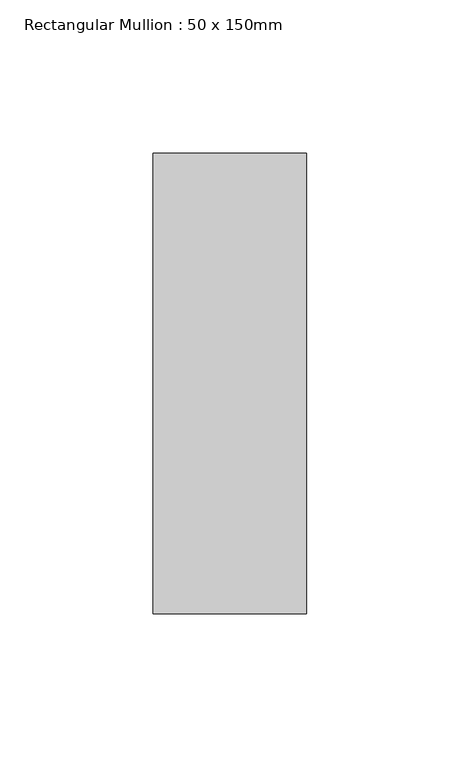
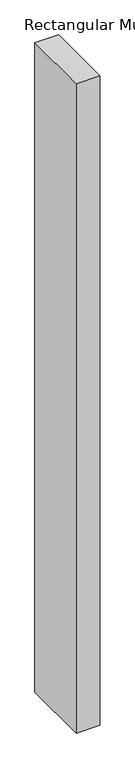
"""IFC4 building model written with IfcOpenShell, lengths in millimetres: member geometry, Rectangular Mullion : 50 x 150mm."""

import ifcopenshell
import ifcopenshell.guid

model = None  # the IFC model being written
_history = None  # IfcOwnerHistory: only IFC2X3 demands one
_inside = {}  # id of a spatial element -> (the spatial element, [elements in it])
_under = {}  # id of a project, library or spatial element -> (it, [spatial elements below it])
_declared = {}  # id of a project -> (the project, [libraries it declares])
_typed = {}  # id of a type object -> (the type object, [elements of that type])
_made_of = {}  # id of a material, layer set ... -> (it, [elements and type objects made of it])


def new_model(schema):
    """Start an empty IFC model of exactly this schema.

    Asked for "IFC4X3", IfcOpenShell would pick the latest addendum, in which some entities
    have other attributes; the version numbers below select the first issue.
    IFC2X3 requires an IfcOwnerHistory on every rooted entity: one is made here for all.
    """
    global model, _history
    if schema == "IFC4X3":
        model = ifcopenshell.file(schema_version=(4, 3, 0, 0))
    else:
        model = ifcopenshell.file(schema=schema)
    _inside.clear()
    _under.clear()
    _declared.clear()
    _typed.clear()
    _made_of.clear()
    _history = None
    if model.schema == "IFC2X3":
        org = make("IfcOrganization", Name="unknown")
        user = make(
            "IfcPersonAndOrganization",
            ThePerson=make("IfcPerson", FamilyName="unknown"),
            TheOrganization=org,
        )
        app = make(
            "IfcApplication",
            ApplicationDeveloper=org,
            Version="unknown",
            ApplicationFullName="unknown",
            ApplicationIdentifier="unknown",
        )
        _history = make(
            "IfcOwnerHistory",
            OwningUser=user,
            OwningApplication=app,
            ChangeAction="ADDED",
            CreationDate=0,
        )
    return model


def make(cls, **values):
    """One entity of the class cls with the attributes given. An attribute that is None is left unset."""
    return model.create_entity(
        cls, **{name: value for name, value in values.items() if value is not None}
    )


def rooted(cls, **values):
    """An entity with a GlobalId (a new one), such as an element, a storey or a relation."""
    return make(cls, GlobalId=ifcopenshell.guid.new(), OwnerHistory=_history, **values)


def si_unit(unit_type, name, prefix=None):
    """IfcSIUnit, for example si_unit("LENGTHUNIT", "METRE", prefix="MILLI")."""
    return make("IfcSIUnit", UnitType=unit_type, Prefix=prefix, Name=name)


def assignment(units):
    """IfcUnitAssignment: the units of a project."""
    return None if units is None else make("IfcUnitAssignment", Units=units)


def point(xyz):
    """IfcCartesianPoint."""
    return None if xyz is None else make("IfcCartesianPoint", Coordinates=xyz)


def direction(xyz):
    """IfcDirection."""
    return None if xyz is None else make("IfcDirection", DirectionRatios=xyz)


def frame(location, z_axis=None, x_axis=None):
    """IfcAxis2Placement3D, a coordinate frame: its origin and axes. An axis left out is left unset."""
    return make(
        "IfcAxis2Placement3D",
        Location=point(location),
        Axis=direction(z_axis),
        RefDirection=direction(x_axis),
    )


def origin():
    """The frame at (0, 0, 0) with its axes left unset."""
    return frame((0.0, 0.0, 0.0))


def place(relative_to, where):
    """IfcLocalPlacement: puts the frame where relative to a parent placement (None: the world)."""
    return make(
        "IfcLocalPlacement", PlacementRelTo=relative_to, RelativePlacement=where
    )


def context(
    kind, dimensions, precision=None, world=None, true_north=None, identifier=None
):
    """IfcGeometricRepresentationContext, for example the 3D "Model" context."""
    return make(
        "IfcGeometricRepresentationContext",
        ContextIdentifier=identifier,
        ContextType=kind,
        CoordinateSpaceDimension=dimensions,
        Precision=precision,
        WorldCoordinateSystem=world,
        TrueNorth=true_north,
    )


def project(units=None, contexts=None):
    """IfcProject with its units and contexts."""
    return rooted(
        "IfcProject",
        Name="project",
        RepresentationContexts=contexts,
        UnitsInContext=assignment(units),
    )


def spatial(cls, under=None, at=None, **own):
    """A site, building, storey or space (cls), placed at a placement, below another one or the project."""
    s = rooted(cls, ObjectPlacement=at, **own)
    if under is not None:
        _under.setdefault(under.id(), (under, []))[1].append(s)
    return s


def polyline(points):
    """IfcPolyline through the points."""
    return make("IfcPolyline", Points=[point(p) for p in points])


def outline(outer, holes=None, kind="AREA"):
    """IfcArbitraryClosedProfileDef: a profile drawn as a closed curve; with holes, ...WithVoids."""
    if holes is None:
        return make("IfcArbitraryClosedProfileDef", ProfileType=kind, OuterCurve=outer)
    return make(
        "IfcArbitraryProfileDefWithVoids",
        ProfileType=kind,
        OuterCurve=outer,
        InnerCurves=holes,
    )


def extrude(swept, where, along, depth):
    """IfcExtrudedAreaSolid: the profile swept, set in the frame where, extruded along a direction by depth."""
    return make(
        "IfcExtrudedAreaSolid",
        SweptArea=swept,
        Position=where,
        ExtrudedDirection=direction(along),
        Depth=depth,
    )


def shape(context_of_items, identifier, shape_type, items):
    """IfcShapeRepresentation: the items that make up one representation, for example the "Body"."""
    return make(
        "IfcShapeRepresentation",
        ContextOfItems=context_of_items,
        RepresentationIdentifier=identifier,
        RepresentationType=shape_type,
        Items=items,
    )


def source(mapping_origin, context_of_items, identifier, shape_type, items):
    """IfcRepresentationMap: a shape defined once, which mapped items show again and again."""
    return make(
        "IfcRepresentationMap",
        MappingOrigin=mapping_origin,
        MappedRepresentation=shape(context_of_items, identifier, shape_type, items),
    )


def transform(
    local_origin,
    x_axis=None,
    y_axis=None,
    z_axis=None,
    scale=None,
    scale2=None,
    scale3=None,
    uniform=True,
):
    """IfcCartesianTransformationOperator3D, or its non-uniform kind. x_axis, y_axis, z_axis: its Axis1, 2, 3."""
    if uniform:
        return make(
            "IfcCartesianTransformationOperator3D",
            Axis1=direction(x_axis),
            Axis2=direction(y_axis),
            LocalOrigin=point(local_origin),
            Scale=scale,
            Axis3=direction(z_axis),
        )
    return make(
        "IfcCartesianTransformationOperator3DnonUniform",
        Axis1=direction(x_axis),
        Axis2=direction(y_axis),
        LocalOrigin=point(local_origin),
        Scale=scale,
        Axis3=direction(z_axis),
        Scale2=scale2,
        Scale3=scale3,
    )


def mapped(mapping_source, mapping_target):
    """IfcMappedItem: shows the shape of a source again, moved by a transform."""
    return make(
        "IfcMappedItem", MappingSource=mapping_source, MappingTarget=mapping_target
    )


def made_of(thing, what):
    """Note that an element or type object is made of a material, layer set ...; save() writes the relation."""
    if what is not None:
        _made_of.setdefault(what.id(), (what, []))[1].append(thing)
    return thing


def element(
    cls,
    number,
    at=None,
    inside=None,
    cuts=None,
    type_object=None,
    material=None,
    context=None,
    identifier="Body",
    shape_type=None,
    held_by="IfcProductDefinitionShape",
    body=None,
    shapes=None,
    **own,
):
    """One element of the class cls, such as IfcWall. Its Tag is "e" and its number.

    at: its placement. inside: the storey or other place that contains it. cuts: it is an
    opening in that element (IfcRelVoidsElement). A single representation is given by context,
    identifier, shape_type and body (its items); several are given by shapes. held_by: the class
    of the entity that holds the representations. save() writes the other relations.
    """
    e = rooted(cls, Tag="e%d" % number, ObjectPlacement=at, **own)
    if body is not None:
        shapes = [shape(context, identifier, shape_type, body)]
    if shapes is not None:
        e.Representation = make(held_by, Representations=shapes)
    if inside is not None:
        _inside.setdefault(inside.id(), (inside, []))[1].append(e)
    if cuts is not None:
        rooted(
            "IfcRelVoidsElement", RelatingBuildingElement=cuts, RelatedOpeningElement=e
        )
    if type_object is not None:
        _typed.setdefault(type_object.id(), (type_object, []))[1].append(e)
    return made_of(e, material)


def aggregate(whole, parts):
    """IfcRelAggregates: a whole, such as a stair, and the parts it consists of."""
    return rooted("IfcRelAggregates", RelatingObject=whole, RelatedObjects=parts)


def save(model, path):
    """Write the relations noted so far, then the file.

    IfcRelAggregates (storeys below a building ...), IfcRelContainedInSpatialStructure (elements
    in a storey), IfcRelDefinesByType, IfcRelAssociatesMaterial and IfcRelDeclares: one each for
    every whole, place, type object, material and project.
    """
    for whole, parts in _under.values():
        aggregate(whole, parts)
    for where, things in _inside.values():
        rooted(
            "IfcRelContainedInSpatialStructure",
            RelatedElements=things,
            RelatingStructure=where,
        )
    for kind, things in _typed.values():
        rooted("IfcRelDefinesByType", RelatedObjects=things, RelatingType=kind)
    for what, things in _made_of.values():
        rooted("IfcRelAssociatesMaterial", RelatedObjects=things, RelatingMaterial=what)
    for by, libraries in _declared.values():
        rooted("IfcRelDeclares", RelatingContext=by, RelatedDefinitions=libraries)
    model.write(path)


def rectangular_mullion_50_x_150mm_126f998e(model_context):
    return source(origin(), model_context, "Body", "SweptSolid", [
        extrude(outline(polyline([(25.0, 75.0), (25.0, -75.0), (-25.0, -75.0), (-25.0, 75.0), (25.0, 75.0)])), frame((0.0, 0.0, -1445.3334645), z_axis=(0.0, 0.0, 1.0), x_axis=(1.0, 0.0, 0.0)), (0.0, 0.0, 1.0), 1445.3334645),
    ])


if __name__ == "__main__":
    model = new_model("IFC4")
    model_context = context("Model", 3, world=origin())
    ifc_project = project(units=[si_unit("LENGTHUNIT", "METRE", prefix="MILLI")], contexts=[model_context])
    site = spatial("IfcSite", under=ifc_project)
    building = spatial("IfcBuilding", under=site)
    placement = place(None, origin())
    rectangular_mullion_50_x_150mm_shape = rectangular_mullion_50_x_150mm_126f998e(model_context)
    element("IfcMember", 1, ObjectType="Rectangular Mullion : 50 x 150mm", at=placement, inside=building, context=model_context, shape_type="MappedRepresentation", body=[
        mapped(rectangular_mullion_50_x_150mm_shape, transform((0.0, 0.0, 0.0), x_axis=(1.0, 0.0, 0.0), y_axis=(0.0, 1.0, 0.0), z_axis=(0.0, 0.0, 1.0))),
    ])
    save(model, "model.ifc")
